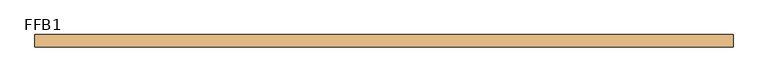
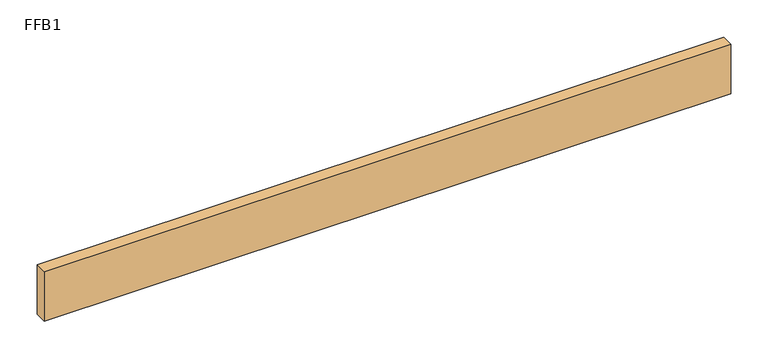
"""IFC4 building model written with IfcOpenShell, lengths in millimetres: door geometry, FFB1."""

from ifc_helpers import new_model, si_unit, origin, origin_with_axes, place, context, project, spatial, polyline, outline, extrude, source, transform, mapped, element, save


def ffb1_af17ee4c(model_context):
    return source(origin(), model_context, "Body", "SweptSolid", [
        extrude(outline(polyline([(531.5249999, 0.0), (531.5249999, -19.05), (-531.5249999, -19.05), (-531.5249999, 0.0), (531.5249999, 0.0)])), origin_with_axes(), (0.0, 0.0, 1.0), 81.28),
    ])


if __name__ == "__main__":
    model = new_model("IFC4")
    model_context = context("Model", 3, world=origin())
    ifc_project = project(units=[si_unit("LENGTHUNIT", "METRE", prefix="MILLI")], contexts=[model_context])
    site = spatial("IfcSite", under=ifc_project)
    building = spatial("IfcBuilding", under=site)
    placement = place(None, origin())
    ffb1_shape = ffb1_af17ee4c(model_context)
    element("IfcDoor", 1, ObjectType="FFB1", at=placement, inside=building, context=model_context, shape_type="MappedRepresentation", body=[
        mapped(ffb1_shape, transform((0.0, 0.0, 0.0), x_axis=(1.0, 0.0, 0.0), y_axis=(0.0, 1.0, 0.0), z_axis=(0.0, 0.0, 1.0))),
    ])
    save(model, "model.ifc")
